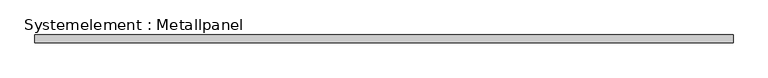
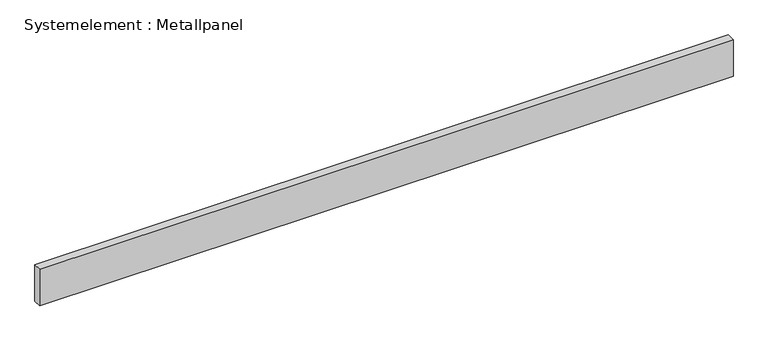
"""IFC4 building model written with IfcOpenShell, lengths in millimetres: plate geometry, Systemelement : Metallpanel."""

from ifc_helpers import new_model, si_unit, origin, origin_with_axes, place, context, project, spatial, polyline, outline, extrude, source, transform, mapped, element, save


def systemelement_metallpanel_f5764ede(model_context):
    return source(origin(), model_context, "Body", "SweptSolid", [
        extrude(outline(polyline([(1294.5224905, -15.0), (-1294.5224905, -15.0), (-1294.5224905, 15.0), (1294.5224905, 15.0), (1294.5224905, -15.0)])), origin_with_axes(), (0.0, 0.0, 1.0), 145.0),
    ])


if __name__ == "__main__":
    model = new_model("IFC4")
    model_context = context("Model", 3, world=origin())
    ifc_project = project(units=[si_unit("LENGTHUNIT", "METRE", prefix="MILLI")], contexts=[model_context])
    site = spatial("IfcSite", under=ifc_project)
    building = spatial("IfcBuilding", under=site)
    placement = place(None, origin())
    systemelement_metallpanel_shape = systemelement_metallpanel_f5764ede(model_context)
    element("IfcPlate", 1, ObjectType="Systemelement : Metallpanel", at=placement, inside=building, context=model_context, shape_type="MappedRepresentation", body=[
        mapped(systemelement_metallpanel_shape, transform((0.0, 0.0, 0.0), x_axis=(1.0, 0.0, 0.0), y_axis=(0.0, 1.0, 0.0), z_axis=(0.0, 0.0, 1.0))),
    ])
    save(model, "model.ifc")
